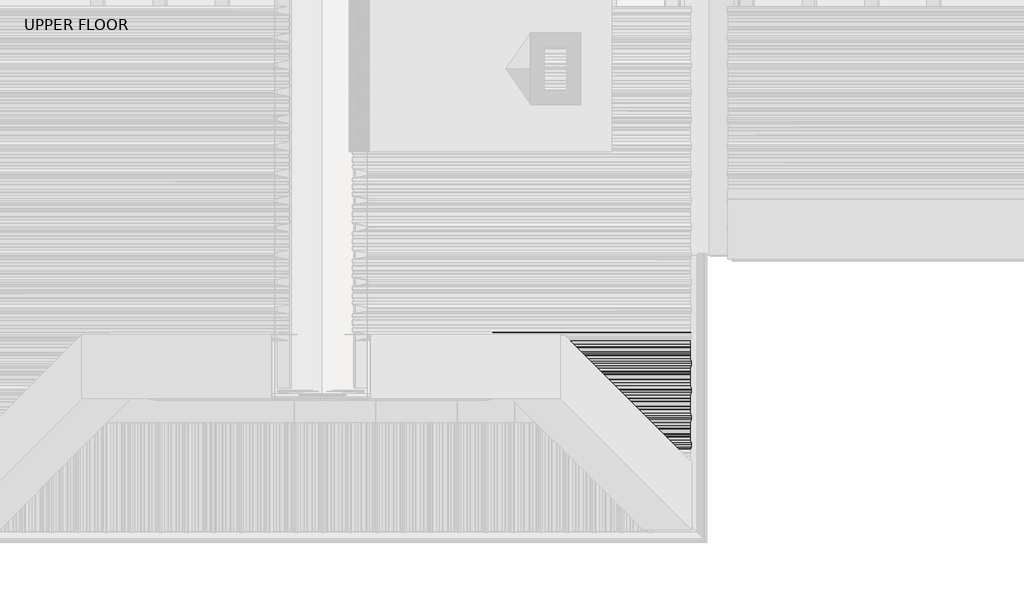
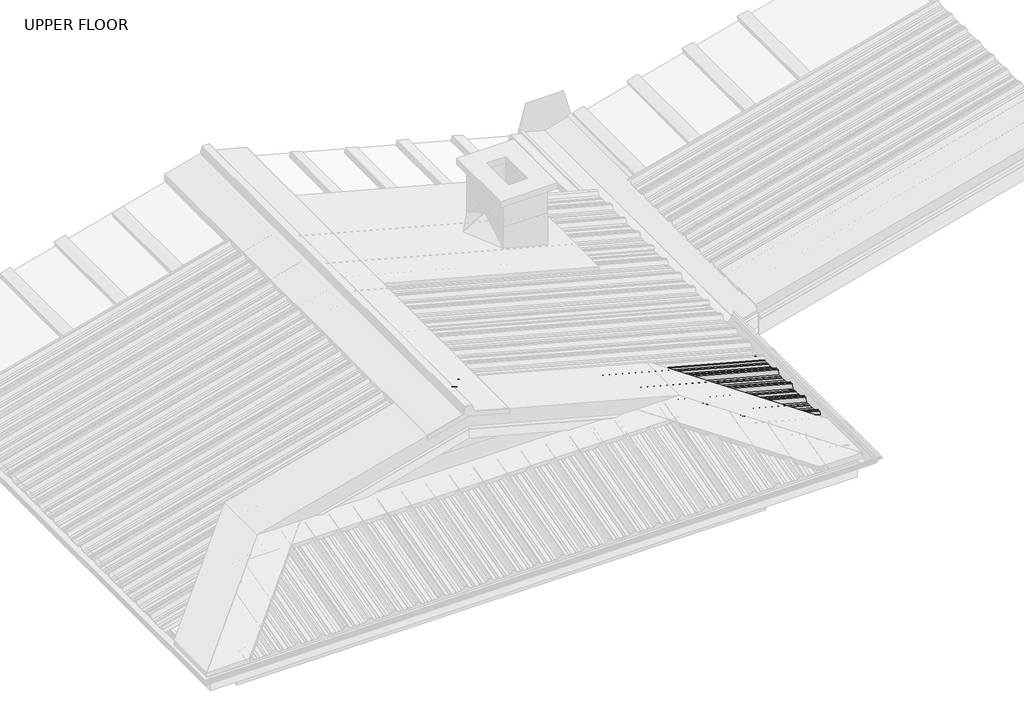
# One storey, part 7 of 8: 1 beam.
"""IFC4 building model written with IfcOpenShell, lengths in millimetres."""

from ifc_helpers import new_model, si_unit, frame, origin, place, context, project, spatial, circle_curve, ellipse_curve, element, save
from ifc_brep_helpers import plane_surface, cylinder_surface, advanced_brep

model = new_model("IFC4")

# Units and contexts
model_context = context("Model", 3, world=origin())
ifc_project = project(units=[si_unit("LENGTHUNIT", "METRE", prefix="MILLI")], contexts=[model_context])

# Site, building, storey
site = spatial("IfcSite", under=ifc_project)
building = spatial("IfcBuilding", under=site)
storey = spatial("IfcBuildingStorey", under=building, Name="UPPER FLOOR", Elevation=2700.0)

# Beam
placement = place(None, origin())
element("IfcBeam", 1, ObjectType="MC760", at=placement, inside=storey, context=model_context, shape_type="AdvancedBrep", body=[
    advanced_brep(
    [(2081.1680546, -3415.5736583, 3937.9588483), (2081.1680546, -3384.4584081, 3937.9588483), (2081.696104, -3380.0780903, 3939.9295556), (2081.696104, -3363.1381211, 3939.9295556), (2081.1680546, -3359.9230769, 3937.9588483), (2081.1680546, -3335.5402062, 3937.9588483), (2087.8973497, -3316.4353826, 3963.0729198), (2087.8973497, -3293.5966837, 3963.0729198), (2082.0808349, -3277.0832916, 3941.365391), (2081.9275797, -3277.8891323, 3940.7934349), (2087.6385307, -3294.1028229, 3962.106994), (2087.6385307, -3315.9292434, 3962.106994), (2080.9092355, -3335.034067, 3936.9929225), (2080.9092355, -3360.2135914, 3936.9929225), (2081.4372849, -3363.4286356, 3938.9636298), (2081.4372849, -3379.8566268, 3938.9636298), (2080.9092355, -3384.2369445, 3936.9929225), (2080.9092355, -3415.7951218, 3936.9929225), (2081.4372849, -3420.1754395, 3938.9636298), (2081.4372849, -3427.9821216, 3938.9636298), (2081.696104, -3427.7233025, 3939.9295556), (2081.696104, -3419.953976, 3939.9295556), (2089.4654305, -3419.953976, 3937.8477708), (2093.8457482, -3415.5736583, 3934.5618705), (2124.9609985, -3384.4584081, 3926.2245644), (2129.3413162, -3380.0780903, 3927.1630595), (2146.2812855, -3363.1381211, 3922.6240084), (2149.4963296, -3359.9230769, 3919.6503422), (2173.8792003, -3335.5402062, 3913.1169717), (2192.9840239, -3316.4353826, 3934.9150303), (2215.8227228, -3293.5966837, 3928.7954194), (2232.3361149, -3277.0832916, 3901.10461), (2231.5302742, -3277.8891323, 3900.7075138), (2215.3165836, -3294.1028229, 3927.8957628), (2193.4901631, -3315.9292434, 3933.7441346), (2174.3853395, -3335.034067, 3911.9460759), (2149.2058151, -3360.2135914, 3918.6929091), (2145.990771, -3363.4286356, 3921.6665753), (2129.5627797, -3379.8566268, 3926.0684423), (2125.182462, -3384.2369445, 3925.1299472), (2093.6242847, -3415.7951218, 3933.5859353), (2089.243967, -3420.1754395, 3936.8718356)],
    [
        (0, 1),
        (1, 2),
        (2, 3),
        (3, 4),
        (4, 5),
        (5, 6),
        (6, 7),
        (7, 8),
        (8, 9, circle_curve(frame((2082.0042073, -3277.486212, 3941.079413), z_axis=(-0.9659258262890683, 0.0, 0.25881904510252074), x_axis=(0.0, -1.0, 0.0)), 0.5)),
        (9, 10),
        (10, 11),
        (11, 12),
        (12, 13),
        (13, 14),
        (14, 15),
        (15, 16),
        (16, 17),
        (17, 18),
        (18, 19),
        (19, 20),
        (20, 21),
        (21, 0),
        (20, 22),
        (22, 21),
        (22, 23),
        (23, 0),
        (23, 24),
        (24, 1),
        (24, 25),
        (25, 2),
        (25, 26),
        (26, 3),
        (26, 27),
        (27, 4),
        (27, 28),
        (28, 5),
        (28, 29),
        (29, 6),
        (29, 30),
        (30, 7),
        (30, 31),
        (31, 8),
        (31, 32, ellipse_curve(frame((2231.9331946, -3277.486212, 3900.9060619), z_axis=(-0.7071067811865476, 0.7071067811865475, 0.0), x_axis=(-0.6612248329466447, -0.6612248329466448, 0.3543493200069157)), 0.7320508, 0.5)),
        (32, 9),
        (32, 33),
        (33, 10),
        (33, 34),
        (34, 11),
        (34, 35),
        (35, 12),
        (35, 36),
        (36, 13),
        (36, 37),
        (37, 14),
        (37, 38),
        (38, 15),
        (38, 39),
        (39, 16),
        (39, 40),
        (40, 17),
        (40, 41),
        (41, 18),
        (41, 19),
    ],
    [
        plane_surface(frame((2080.9092355, -3462.5161191, 3936.9929225), z_axis=(-0.9659258262890684, 0.0, 0.25881904510252085), x_axis=(0.20856690950736453, -0.5921324467912088, 0.7783823030591094))),
        plane_surface(frame((2081.696104, -3436.8939453, 3939.9295556), z_axis=(0.25881904510252074, 0.0, 0.9659258262890683), x_axis=(0.9659258262890683, 0.0, -0.25881904510252074))),
        plane_surface(frame((2081.696104, -3419.953976, 3939.9295556), z_axis=(0.23461789175161624, 0.42221886042244977, 0.8756058923817237), x_axis=(0.9659258262890683, 0.0, -0.25881904510252074))),
        plane_surface(frame((2081.1680546, -3415.5736583, 3937.9588483), z_axis=(0.25881904510252074, 0.0, 0.9659258262890683), x_axis=(0.9659258262890683, 0.0, -0.25881904510252074))),
        plane_surface(frame((2081.1680546, -3384.4584081, 3937.9588483), z_axis=(0.23461789175161418, -0.42221886042245366, 0.8756058923817225), x_axis=(0.9659258262890683, 0.0, -0.25881904510252074))),
        plane_surface(frame((2081.696104, -3380.0780903, 3939.9295556), z_axis=(0.25881904510252074, 0.0, 0.9659258262890683), x_axis=(0.9659258262890683, 0.0, -0.25881904510252074))),
        plane_surface(frame((2081.696104, -3363.1381211, 3939.9295556), z_axis=(0.21853130769187645, 0.5358075541289663, 0.8155699433505462), x_axis=(0.9659258262890683, 0.0, -0.25881904510252074))),
        plane_surface(frame((2081.1680546, -3359.9230769, 3937.9588483), z_axis=(0.25881904510252074, 0.0, 0.9659258262890683), x_axis=(0.9659258262890683, 0.0, -0.25881904510252074))),
        plane_surface(frame((2081.1680546, -3335.5402062, 3937.9588483), z_axis=(0.1532551544527187, -0.8058406576098369, 0.5719560229393682), x_axis=(0.9659258262890683, 0.0, -0.25881904510252074))),
        plane_surface(frame((2087.8973497, -3316.4353826, 3963.0729198), z_axis=(0.25881904510252074, 0.0, 0.9659258262890683), x_axis=(0.9659258262890683, 0.0, -0.25881904510252074))),
        plane_surface(frame((2087.8973497, -3293.5966837, 3963.0729198), z_axis=(0.15325515445272095, 0.8058406576098393, 0.5719560229393641), x_axis=(0.9659258262890683, 0.0, -0.25881904510252074))),
        cylinder_surface(frame((4583.9477914, -3277.486212, 3270.6856501), z_axis=(-0.9659258262890683, 0.0, 0.25881904510252074), x_axis=(0.0, -1.0, 0.0)), 0.5),
        plane_surface(frame((2081.9275797, -3277.8891323, 3940.7934349), z_axis=(-0.1532551544527278, -0.8058406576098199, -0.5719560229393896), x_axis=(0.9659258262890683, 0.0, -0.25881904510252074))),
        plane_surface(frame((2087.6385307, -3294.1028229, 3962.106994), z_axis=(-0.25881904510252074, 0.0, -0.9659258262890683), x_axis=(0.9659258262890683, 0.0, -0.25881904510252074))),
        plane_surface(frame((2087.6385307, -3315.9292434, 3962.106994), z_axis=(-0.15325515445271837, 0.805840657609838, -0.5719560229393669), x_axis=(0.9659258262890683, 0.0, -0.25881904510252074))),
        plane_surface(frame((2080.9092355, -3335.034067, 3936.9929225), z_axis=(-0.25881904510252074, 0.0, -0.9659258262890683), x_axis=(0.9659258262890683, 0.0, -0.25881904510252074))),
        plane_surface(frame((2080.9092355, -3360.2135914, 3936.9929225), z_axis=(-0.2185313076918775, -0.5358075541289602, -0.8155699433505502), x_axis=(0.9659258262890683, 0.0, -0.25881904510252074))),
        plane_surface(frame((2081.4372849, -3363.4286356, 3938.9636298), z_axis=(-0.25881904510252074, 0.0, -0.9659258262890683), x_axis=(0.9659258262890683, 0.0, -0.25881904510252074))),
        plane_surface(frame((2081.4372849, -3379.8566268, 3938.9636298), z_axis=(-0.23461789175161488, 0.42221886042244783, -0.875605892381725), x_axis=(0.9659258262890683, 0.0, -0.25881904510252074))),
        plane_surface(frame((2080.9092355, -3384.2369445, 3936.9929225), z_axis=(-0.25881904510252074, 0.0, -0.9659258262890683), x_axis=(0.9659258262890683, 0.0, -0.25881904510252074))),
        plane_surface(frame((2080.9092355, -3415.7951218, 3936.9929225), z_axis=(-0.23461789175161565, -0.4222188604224548, -0.8756058923817215), x_axis=(0.9659258262890683, 0.0, -0.25881904510252074))),
        plane_surface(frame((2081.4372849, -3420.1754395, 3938.9636298), z_axis=(-0.25881904510252074, 0.0, -0.9659258262890683), x_axis=(0.9659258262890683, 0.0, -0.25881904510252074))),
        plane_surface(frame((1656.3612459, -3853.0581606, 4276.036793), z_axis=(0.7071067811865476, -0.7071067811865475, 0.0), x_axis=(0.0, 0.0, -1.0))),
    ],
    [
        (0, [[1, 2, 3, 4, 5, 6, 7, 8, 9, 10, 11, 12, 13, 14, 15, 16, 17, 18, 19, 20, 21, 22]]),
        (1, [[-21, 23, 24]]),
        (2, [[-22, -24, 25, 26]]),
        (3, [[-1, -26, 27, 28]]),
        (4, [[-2, -28, 29, 30]]),
        (5, [[-3, -30, 31, 32]]),
        (6, [[-4, -32, 33, 34]]),
        (7, [[-5, -34, 35, 36]]),
        (8, [[-6, -36, 37, 38]]),
        (9, [[-7, -38, 39, 40]]),
        (10, [[-8, -40, 41, 42]]),
        (11, [[-9, -42, 43, 44]]),
        (12, [[-10, -44, 45, 46]]),
        (13, [[-11, -46, 47, 48]]),
        (14, [[-12, -48, 49, 50]]),
        (15, [[-13, -50, 51, 52]]),
        (16, [[-14, -52, 53, 54]]),
        (17, [[-15, -54, 55, 56]]),
        (18, [[-16, -56, 57, 58]]),
        (19, [[-17, -58, 59, 60]]),
        (20, [[-18, -60, 61, 62]]),
        (21, [[-19, -62, 63]]),
        (22, [[-20, -63, -61, -59, -57, -55, -53, -51, -49, -47, -45, -43, -41, -39, -37, -35, -33, -31, -29, -27, -25, -23]]),
    ],
),
    advanced_brep(
    [(4582.8528196, -3462.5161191, 3266.5991596), (4582.8528196, -3439.818475, 3266.5991596), (4583.380869, -3436.6034308, 3268.5698669), (4583.380869, -3420.1754395, 3268.5698669), (4582.8528196, -3415.7951218, 3266.5991596), (4582.8528196, -3384.2369445, 3266.5991596), (4583.380869, -3379.8566268, 3268.5698669), (4583.380869, -3363.4286356, 3268.5698669), (4582.8528196, -3360.2135914, 3266.5991596), (4582.8528196, -3335.034067, 3266.5991596), (4589.5821147, -3315.9292434, 3291.7132311), (4589.5821147, -3294.1028229, 3291.7132311), (4583.8711638, -3277.8891323, 3270.3996721), (4584.024419, -3277.0832916, 3270.9716281), (4589.8409338, -3293.5966837, 3292.679157), (4589.8409338, -3316.4353826, 3292.679157), (4583.1116386, -3335.5402062, 3267.5650855), (4583.1116386, -3359.9230769, 3267.5650855), (4583.639688, -3363.1381211, 3269.5357928), (4583.639688, -3380.0780903, 3269.5357928), (4583.1116386, -3384.4584081, 3267.5650855), (4583.1116386, -3415.5736583, 3267.5650855), (4583.639688, -3419.953976, 3269.5357928), (4583.639688, -3436.8939453, 3269.5357928), (4583.1116386, -3440.1089895, 3267.5650855), (4583.1116386, -3461.9416077, 3267.5650855), (4590.3585719, -3482.5160332, 3294.6110086), (4590.3585719, -3495.0160332, 3294.6110086), (4590.3585719, -3507.5160332, 3294.6110086), (4583.1116386, -3528.0904586, 3267.5650855), (4583.1116386, -3549.9230769, 3267.5650855), (4583.639688, -3553.1381211, 3269.5357928), (4583.639688, -3570.0780903, 3269.5357928), (4583.1116386, -3574.4584081, 3267.5650855), (4583.1116386, -3605.5736583, 3267.5650855), (4583.639688, -3609.953976, 3269.5357928), (4583.639688, -3626.8939453, 3269.5357928), (4583.1116386, -3630.1089895, 3267.5650855), (4583.1116386, -3651.9416077, 3267.5650855), (4590.3585719, -3672.5160332, 3294.6110086), (4590.3585719, -3685.0160332, 3294.6110086), (4590.3585719, -3697.5160332, 3294.6110086), (4583.1116386, -3718.0904586, 3267.5650855), (4583.1116386, -3739.9230769, 3267.5650855), (4583.639688, -3743.1381211, 3269.5357928), (4583.639688, -3760.0780903, 3269.5357928), (4583.1116386, -3764.4584081, 3267.5650855), (4583.1116386, -3795.5736583, 3267.5650855), (4583.639688, -3799.953976, 3269.5357928), (4583.639688, -3816.8939453, 3269.5357928), (4583.1116386, -3820.1089895, 3267.5650855), (4583.1116386, -3841.9416077, 3267.5650855), (4590.3585719, -3862.5160332, 3294.6110086), (4590.3585719, -3875.0160332, 3294.6110086), (4590.3585719, -3887.5160332, 3294.6110086), (4583.1116386, -3908.0904586, 3267.5650855), (4583.1116386, -3929.9230769, 3267.5650855), (4583.639688, -3933.1381211, 3269.5357928), (4583.639688, -3950.0780903, 3269.5357928), (4583.1116386, -3954.4584081, 3267.5650855), (4583.1116386, -3985.5736583, 3267.5650855), (4583.639688, -3989.953976, 3269.5357928), (4583.639688, -4006.8939453, 3269.5357928), (4583.1116386, -4010.1089895, 3267.5650855), (4583.1116386, -4031.9416077, 3267.5650855), (4590.3585719, -4052.5160332, 3294.6110086), (4590.3585719, -4065.0160332, 3294.6110086), (4590.3585719, -4077.5160332, 3294.6110086), (4584.783706, -4093.3433712, 3273.8053259), (4584.6220069, -4092.4931311, 3273.2018568), (4590.0997528, -4076.9415218, 3293.6450828), (4590.0997528, -4065.0160332, 3293.6450828), (4590.0997528, -4053.0905445, 3293.6450828), (4582.8528196, -4032.5161191, 3266.5991596), (4582.8528196, -4009.818475, 3266.5991596), (4583.380869, -4006.6034308, 3268.5698669), (4583.380869, -3990.1754395, 3268.5698669), (4582.8528196, -3985.7951218, 3266.5991596), (4582.8528196, -3954.2369445, 3266.5991596), (4583.380869, -3949.8566268, 3268.5698669), (4583.380869, -3933.4286356, 3268.5698669), (4582.8528196, -3930.2135914, 3266.5991596), (4582.8528196, -3907.5159472, 3266.5991596), (4590.0997528, -3886.9415218, 3293.6450828), (4590.0997528, -3875.0160332, 3293.6450828), (4590.0997528, -3863.0905445, 3293.6450828), (4582.8528196, -3842.5161191, 3266.5991596), (4582.8528196, -3819.818475, 3266.5991596), (4583.380869, -3816.6034308, 3268.5698669), (4583.380869, -3800.1754395, 3268.5698669), (4582.8528196, -3795.7951218, 3266.5991596), (4582.8528196, -3764.2369445, 3266.5991596), (4583.380869, -3759.8566268, 3268.5698669), (4583.380869, -3743.4286356, 3268.5698669), (4582.8528196, -3740.2135914, 3266.5991596), (4582.8528196, -3717.5159472, 3266.5991596), (4590.0997528, -3696.9415218, 3293.6450828), (4590.0997528, -3685.0160332, 3293.6450828), (4590.0997528, -3673.0905445, 3293.6450828), (4582.8528196, -3652.5161191, 3266.5991596), (4582.8528196, -3629.818475, 3266.5991596), (4583.380869, -3626.6034308, 3268.5698669), (4583.380869, -3610.1754395, 3268.5698669), (4582.8528196, -3605.7951218, 3266.5991596), (4582.8528196, -3574.2369445, 3266.5991596), (4583.380869, -3569.8566268, 3268.5698669), (4583.380869, -3553.4286356, 3268.5698669), (4582.8528196, -3550.2135914, 3266.5991596), (4582.8528196, -3527.5159472, 3266.5991596), (4590.0997528, -3506.9415218, 3293.6450828), (4590.0997528, -3495.0160332, 3293.6450828), (4590.0997528, -3483.0905445, 3293.6450828), (3554.4419037, -3629.818475, 3542.161034), (3551.2268596, -3626.6034308, 3545.1347002), (3577.1395479, -3652.5161191, 3536.0792186), (3597.7139733, -3673.0905445, 3559.554051), (3609.639462, -3685.0160332, 3556.3586259), (3621.5649506, -3696.9415218, 3553.1632009), (3642.139376, -3717.5159472, 3518.6625672), (3664.8370202, -3740.2135914, 3512.5807517), (3668.0520643, -3743.4286356, 3513.8314809), (3684.4800556, -3759.8566268, 3509.4296139), (3688.8603733, -3764.2369445, 3506.1437137), (3720.4185506, -3795.7951218, 3497.6877255), (3724.7988683, -3800.1754395, 3498.6262207), (3741.2268596, -3816.6034308, 3494.2243537), (3744.4419037, -3819.818475, 3491.2506875), (3767.1395479, -3842.5161191, 3485.168872), (3787.7139733, -3863.0905445, 3508.6437044), (3799.639462, -3875.0160332, 3505.4482794), (3811.5649506, -3886.9415218, 3502.2528543), (3832.139376, -3907.5159472, 3467.7522206), (3854.8370202, -3930.2135914, 3461.6704052), (3858.0520643, -3933.4286356, 3462.9211344), (3874.4800556, -3949.8566268, 3458.5192674), (3878.8603733, -3954.2369445, 3455.2333671), (3910.4185506, -3985.7951218, 3446.777379), (3914.7988683, -3990.1754395, 3447.7158741), (3931.2268596, -4006.6034308, 3443.3140071), (3934.4419037, -4009.818475, 3440.3403409), (3957.1395479, -4032.5161191, 3434.2585255), (3977.7139733, -4053.0905445, 3457.7333579), (3989.639462, -4065.0160332, 3454.5379328), (4001.5649506, -4076.9415218, 3451.3425078), (4017.1165598, -4092.4931311, 3425.264483), (4017.9668, -4093.3433712, 3425.6834581), (4002.139462, -4077.5160332, 3452.2238441), (3989.639462, -4065.0160332, 3455.573209), (3977.139462, -4052.5160332, 3458.9225739), (3956.5650365, -4031.9416077, 3435.4477415), (3934.7324182, -4010.1089895, 3441.297774), (3931.5173741, -4006.8939453, 3444.2714402), (3914.5774048, -3989.953976, 3448.8104912), (3910.1970871, -3985.5736583, 3447.8719961), (3879.0818368, -3954.4584081, 3456.2093023), (3874.7015191, -3950.0780903, 3459.4952026), (3857.7615498, -3933.1381211, 3464.0342537), (3854.5465057, -3929.9230769, 3462.7835245), (3832.7138874, -3908.0904586, 3468.6335569), (3812.139462, -3887.5160332, 3503.1341906), (3799.639462, -3875.0160332, 3506.4835556), (3787.139462, -3862.5160332, 3509.8329205), (3766.5650365, -3841.9416077, 3486.3580881), (3744.7324182, -3820.1089895, 3492.2081205), (3741.5173741, -3816.8939453, 3495.1817867), (3724.5774048, -3799.953976, 3499.7208378), (3720.1970871, -3795.5736583, 3498.7823427), (3689.0818368, -3764.4584081, 3507.1196489), (3684.7015191, -3760.0780903, 3510.4055492), (3667.7615498, -3743.1381211, 3514.9446003), (3664.5465057, -3739.9230769, 3513.693871), (3642.7138874, -3718.0904586, 3519.5439035), (3622.139462, -3697.5160332, 3554.0445372), (3609.639462, -3685.0160332, 3557.3939021), (3597.139462, -3672.5160332, 3560.743267), (3576.5650365, -3651.9416077, 3537.2684346), (3554.7324182, -3630.1089895, 3543.1184671), (3551.5173741, -3626.8939453, 3546.0921333), (3534.5774048, -3609.953976, 3550.6311844), (3530.1970871, -3605.5736583, 3549.6926893), (3499.0818368, -3574.4584081, 3558.0299954), (3494.7015191, -3570.0780903, 3561.3158957), (3477.7615498, -3553.1381211, 3565.8549468), (3474.5465057, -3549.9230769, 3564.6042176), (3452.7138874, -3528.0904586, 3570.45425), (3432.139462, -3507.5160332, 3604.9548838), (3419.639462, -3495.0160332, 3608.3042487), (3407.139462, -3482.5160332, 3611.6536136), (3386.5650365, -3461.9416077, 3588.1787812), (3364.7324182, -3440.1089895, 3594.0288136), (3361.5173741, -3436.8939453, 3597.0024798), (3344.5774048, -3419.953976, 3601.5415309), (3340.1970871, -3415.5736583, 3600.6030358), (3309.0818368, -3384.4584081, 3608.940342), (3304.7015191, -3380.0780903, 3612.2262423), (3287.7615498, -3363.1381211, 3616.7652934), (3284.5465057, -3359.9230769, 3615.5145642), (3260.163635, -3335.5402062, 3622.0479347), (3241.0588114, -3316.4353826, 3654.0842374), (3218.2201125, -3293.5966837, 3660.2038483), (3201.7067204, -3277.0832916, 3641.3625391), (3202.5125611, -3277.8891323, 3640.5335941), (3218.7262517, -3294.1028229, 3659.0329526), (3240.5526722, -3315.9292434, 3653.1845808), (3259.6574958, -3335.034067, 3621.1482781), (3284.8370202, -3360.2135914, 3614.4014449), (3288.0520643, -3363.4286356, 3615.6521741), (3304.4800556, -3379.8566268, 3611.2503071), (3308.8603733, -3384.2369445, 3607.9644068), (3340.4185506, -3415.7951218, 3599.5084187), (3344.7988683, -3420.1754395, 3600.4469138), (3361.2268596, -3436.6034308, 3596.0450468), (3364.4419037, -3439.818475, 3593.0713806), (3387.1395479, -3462.5161191, 3586.9895652), (3407.7139733, -3483.0905445, 3610.4643975), (3419.639462, -3495.0160332, 3607.2689725), (3431.5649506, -3506.9415218, 3604.0735474), (3452.139376, -3527.5159472, 3569.5729137), (3474.8370202, -3550.2135914, 3563.4910983), (3478.0520643, -3553.4286356, 3564.7418275), (3494.4800556, -3569.8566268, 3560.3399605), (3498.8603733, -3574.2369445, 3557.0540602), (3530.4185506, -3605.7951218, 3548.5980721), (3534.7988683, -3610.1754395, 3549.5365672)],
    [
        (0, 1),
        (1, 2),
        (2, 3),
        (3, 4),
        (4, 5),
        (5, 6),
        (6, 7),
        (7, 8),
        (8, 9),
        (9, 10),
        (10, 11),
        (11, 12),
        (12, 13, circle_curve(frame((4583.9477914, -3277.486212, 3270.6856501), z_axis=(0.9659258262890683, 0.0, -0.25881904510252074), x_axis=(0.0, -1.0, 0.0)), 0.5)),
        (13, 14),
        (14, 15),
        (15, 16),
        (16, 17),
        (17, 18),
        (18, 19),
        (19, 20),
        (20, 21),
        (21, 22),
        (22, 23),
        (23, 24),
        (24, 25),
        (25, 26),
        (26, 27),
        (27, 28),
        (28, 29),
        (29, 30),
        (30, 31),
        (31, 32),
        (32, 33),
        (33, 34),
        (34, 35),
        (35, 36),
        (36, 37),
        (37, 38),
        (38, 39),
        (39, 40),
        (40, 41),
        (41, 42),
        (42, 43),
        (43, 44),
        (44, 45),
        (45, 46),
        (46, 47),
        (47, 48),
        (48, 49),
        (49, 50),
        (50, 51),
        (51, 52),
        (52, 53),
        (53, 54),
        (54, 55),
        (55, 56),
        (56, 57),
        (57, 58),
        (58, 59),
        (59, 60),
        (60, 61),
        (61, 62),
        (62, 63),
        (63, 64),
        (64, 65),
        (65, 66),
        (66, 67),
        (67, 68),
        (68, 69, circle_curve(frame((4584.7028565, -4092.9182511, 3273.5035914), z_axis=(0.9659258262890683, 0.0, -0.25881904510252074), x_axis=(0.0, -1.0, 0.0)), 0.5275485)),
        (69, 70),
        (70, 71),
        (71, 72),
        (72, 73),
        (73, 74),
        (74, 75),
        (75, 76),
        (76, 77),
        (77, 78),
        (78, 79),
        (79, 80),
        (80, 81),
        (81, 82),
        (82, 83),
        (83, 84),
        (84, 85),
        (85, 86),
        (86, 87),
        (87, 88),
        (88, 89),
        (89, 90),
        (90, 91),
        (91, 92),
        (92, 93),
        (93, 94),
        (94, 95),
        (95, 96),
        (96, 97),
        (97, 98),
        (98, 99),
        (99, 100),
        (100, 101),
        (101, 102),
        (102, 103),
        (103, 104),
        (104, 105),
        (105, 106),
        (106, 107),
        (107, 108),
        (108, 109),
        (109, 110),
        (110, 111),
        (111, 0),
        (100, 112),
        (112, 113),
        (113, 101),
        (99, 114),
        (114, 112),
        (98, 115),
        (115, 114),
        (97, 116),
        (116, 115),
        (96, 117),
        (117, 116),
        (95, 118),
        (118, 117),
        (94, 119),
        (119, 118),
        (93, 120),
        (120, 119),
        (92, 121),
        (121, 120),
        (91, 122),
        (122, 121),
        (90, 123),
        (123, 122),
        (89, 124),
        (124, 123),
        (88, 125),
        (125, 124),
        (87, 126),
        (126, 125),
        (86, 127),
        (127, 126),
        (85, 128),
        (128, 127),
        (84, 129),
        (129, 128),
        (83, 130),
        (130, 129),
        (82, 131),
        (131, 130),
        (81, 132),
        (132, 131),
        (80, 133),
        (133, 132),
        (79, 134),
        (134, 133),
        (78, 135),
        (135, 134),
        (77, 136),
        (136, 135),
        (76, 137),
        (137, 136),
        (75, 138),
        (138, 137),
        (74, 139),
        (139, 138),
        (73, 140),
        (140, 139),
        (72, 141),
        (141, 140),
        (71, 142),
        (142, 141),
        (70, 143),
        (143, 142),
        (69, 144),
        (144, 143),
        (68, 145),
        (145, 144, ellipse_curve(frame((4017.5416799, -4092.9182511, 3425.4739706), z_axis=(0.7071067811865475, 0.7071067811865476, 0.0), x_axis=(-0.6612248329466451, 0.661224832946645, 0.3543493200069143)), 0.7723846, 0.5275485)),
        (67, 146),
        (146, 145),
        (66, 147),
        (147, 146),
        (65, 148),
        (148, 147),
        (64, 149),
        (149, 148),
        (63, 150),
        (150, 149),
        (62, 151),
        (151, 150),
        (61, 152),
        (152, 151),
        (60, 153),
        (153, 152),
        (59, 154),
        (154, 153),
        (58, 155),
        (155, 154),
        (57, 156),
        (156, 155),
        (56, 157),
        (157, 156),
        (55, 158),
        (158, 157),
        (54, 159),
        (159, 158),
        (53, 160),
        (160, 159),
        (52, 161),
        (161, 160),
        (51, 162),
        (162, 161),
        (50, 163),
        (163, 162),
        (49, 164),
        (164, 163),
        (48, 165),
        (165, 164),
        (47, 166),
        (166, 165),
        (46, 167),
        (167, 166),
        (45, 168),
        (168, 167),
        (44, 169),
        (169, 168),
        (43, 170),
        (170, 169),
        (42, 171),
        (171, 170),
        (41, 172),
        (172, 171),
        (40, 173),
        (173, 172),
        (39, 174),
        (174, 173),
        (38, 175),
        (175, 174),
        (37, 176),
        (176, 175),
        (36, 177),
        (177, 176),
        (35, 178),
        (178, 177),
        (34, 179),
        (179, 178),
        (33, 180),
        (180, 179),
        (32, 181),
        (181, 180),
        (31, 182),
        (182, 181),
        (30, 183),
        (183, 182),
        (29, 184),
        (184, 183),
        (28, 185),
        (185, 184),
        (27, 186),
        (186, 185),
        (26, 187),
        (187, 186),
        (25, 188),
        (188, 187),
        (24, 189),
        (189, 188),
        (23, 190),
        (190, 189),
        (22, 191),
        (191, 190),
        (21, 192),
        (192, 191),
        (20, 193),
        (193, 192),
        (19, 194),
        (194, 193),
        (18, 195),
        (195, 194),
        (17, 196),
        (196, 195),
        (16, 197),
        (197, 196),
        (15, 198),
        (198, 197),
        (14, 199),
        (199, 198),
        (13, 200),
        (200, 199),
        (12, 201),
        (201, 200, ellipse_curve(frame((3202.1096407, -3277.486212, 3640.9480666), z_axis=(0.7071067811865475, 0.7071067811865476, 0.0), x_axis=(-0.6612248329466451, 0.661224832946645, 0.3543493200069143)), 0.7320508, 0.5)),
        (11, 202),
        (202, 201),
        (10, 203),
        (203, 202),
        (9, 204),
        (204, 203),
        (8, 205),
        (205, 204),
        (7, 206),
        (206, 205),
        (6, 207),
        (207, 206),
        (5, 208),
        (208, 207),
        (4, 209),
        (209, 208),
        (3, 210),
        (210, 209),
        (2, 211),
        (211, 210),
        (1, 212),
        (212, 211),
        (0, 213),
        (213, 212),
        (111, 214),
        (214, 213),
        (110, 215),
        (215, 214),
        (109, 216),
        (216, 215),
        (108, 217),
        (217, 216),
        (107, 218),
        (218, 217),
        (106, 219),
        (219, 218),
        (105, 220),
        (220, 219),
        (104, 221),
        (221, 220),
        (103, 222),
        (222, 221),
        (102, 223),
        (223, 222),
        (113, 223),
    ],
    [
        plane_surface(frame((4582.8528196, -3462.5161191, 3266.5991596), z_axis=(0.9659258262890684, 0.0, -0.25881904510252085), x_axis=(-0.20856690950736453, 0.5921324467912088, -0.7783823030591094))),
        plane_surface(frame((2081.4372849, -3626.6034308, 3938.9636298), z_axis=(-0.21853130769187562, 0.5358075541289586, -0.8155699433505516), x_axis=(0.9659258262890683, 0.0, -0.25881904510252074))),
        plane_surface(frame((2080.9092355, -3629.818475, 3936.9929225), z_axis=(-0.25881904510252074, 0.0, -0.9659258262890683), x_axis=(0.9659258262890683, 0.0, -0.25881904510252074))),
        plane_surface(frame((2080.9092355, -3652.5161191, 3936.9929225), z_axis=(-0.1532551544527214, -0.8058406576098383, -0.5719560229393656), x_axis=(0.9659258262890683, 0.0, -0.25881904510252074))),
        plane_surface(frame((2088.1561688, -3673.0905445, 3964.0388456), z_axis=(-0.25881904510252074, 0.0, -0.9659258262890683), x_axis=(0.9659258262890683, 0.0, -0.25881904510252074))),
        plane_surface(frame((2088.1561688, -3685.0160332, 3964.0388456), z_axis=(-0.25881904510252074, 0.0, -0.9659258262890683), x_axis=(0.9659258262890683, 0.0, -0.25881904510252074))),
        plane_surface(frame((2088.1561688, -3696.9415218, 3964.0388456), z_axis=(-0.15325515445271648, 0.8058406576098434, -0.5719560229393599), x_axis=(0.9659258262890683, 0.0, -0.25881904510252074))),
        plane_surface(frame((2080.9092355, -3717.5159472, 3936.9929225), z_axis=(-0.25881904510252074, 0.0, -0.9659258262890683), x_axis=(0.9659258262890683, 0.0, -0.25881904510252074))),
        plane_surface(frame((2080.9092355, -3740.2135914, 3936.9929225), z_axis=(-0.2185313076918775, -0.5358075541289602, -0.8155699433505503), x_axis=(0.9659258262890683, 0.0, -0.25881904510252074))),
        plane_surface(frame((2081.4372849, -3743.4286356, 3938.9636298), z_axis=(-0.25881904510252074, 0.0, -0.9659258262890683), x_axis=(0.9659258262890683, 0.0, -0.25881904510252074))),
        plane_surface(frame((2081.4372849, -3759.8566268, 3938.9636298), z_axis=(-0.23461789175161485, 0.42221886042244783, -0.875605892381725), x_axis=(0.9659258262890683, 0.0, -0.25881904510252074))),
        plane_surface(frame((2080.9092355, -3764.2369445, 3936.9929225), z_axis=(-0.25881904510252074, 0.0, -0.9659258262890683), x_axis=(0.9659258262890683, 0.0, -0.25881904510252074))),
        plane_surface(frame((2080.9092355, -3795.7951218, 3936.9929225), z_axis=(-0.23461789175161635, -0.4222188604224494, -0.875605892381724), x_axis=(0.9659258262890683, 0.0, -0.25881904510252074))),
        plane_surface(frame((2081.4372849, -3800.1754395, 3938.9636298), z_axis=(-0.25881904510252074, 0.0, -0.9659258262890683), x_axis=(0.9659258262890683, 0.0, -0.25881904510252074))),
        plane_surface(frame((2081.4372849, -3816.6034308, 3938.9636298), z_axis=(-0.21853130769187562, 0.5358075541289586, -0.8155699433505516), x_axis=(0.9659258262890683, 0.0, -0.25881904510252074))),
        plane_surface(frame((2080.9092355, -3819.818475, 3936.9929225), z_axis=(-0.25881904510252074, 0.0, -0.9659258262890683), x_axis=(0.9659258262890683, 0.0, -0.25881904510252074))),
        plane_surface(frame((2080.9092355, -3842.5161191, 3936.9929225), z_axis=(-0.15325515445271892, -0.8058406576098451, -0.5719560229393563), x_axis=(0.9659258262890683, 0.0, -0.25881904510252074))),
        plane_surface(frame((2088.1561688, -3863.0905445, 3964.0388456), z_axis=(-0.25881904510252074, 0.0, -0.9659258262890683), x_axis=(0.9659258262890683, 0.0, -0.25881904510252074))),
        plane_surface(frame((2088.1561688, -3875.0160332, 3964.0388456), z_axis=(-0.25881904510252074, 0.0, -0.9659258262890683), x_axis=(0.9659258262890683, 0.0, -0.25881904510252074))),
        plane_surface(frame((2088.1561688, -3886.9415218, 3964.0388456), z_axis=(-0.15325515445271712, 0.8058406576098415, -0.5719560229393623), x_axis=(0.9659258262890683, 0.0, -0.25881904510252074))),
        plane_surface(frame((2080.9092355, -3907.5159472, 3936.9929225), z_axis=(-0.25881904510252074, 0.0, -0.9659258262890683), x_axis=(0.9659258262890683, 0.0, -0.25881904510252074))),
        plane_surface(frame((2080.9092355, -3930.2135914, 3936.9929225), z_axis=(-0.2185313076918598, -0.5358075541290679, -0.8155699433504843), x_axis=(0.9659258262890683, 0.0, -0.25881904510252074))),
        plane_surface(frame((2081.4372849, -3933.4286356, 3938.9636298), z_axis=(-0.25881904510252074, 0.0, -0.9659258262890683), x_axis=(0.9659258262890683, 0.0, -0.25881904510252074))),
        plane_surface(frame((2081.4372849, -3949.8566268, 3938.9636298), z_axis=(-0.23461789175160372, 0.42221886042254037, -0.8756058923816835), x_axis=(0.9659258262890683, 0.0, -0.25881904510252074))),
        plane_surface(frame((2080.9092355, -3954.2369445, 3936.9929225), z_axis=(-0.25881904510252074, 0.0, -0.9659258262890683), x_axis=(0.9659258262890683, 0.0, -0.25881904510252074))),
        plane_surface(frame((2080.9092355, -3985.7951218, 3936.9929225), z_axis=(-0.23461789175160447, -0.42221886042254764, -0.8756058923816799), x_axis=(0.9659258262890683, 0.0, -0.25881904510252074))),
        plane_surface(frame((2081.4372849, -3990.1754395, 3938.9636298), z_axis=(-0.25881904510252074, 0.0, -0.9659258262890683), x_axis=(0.9659258262890683, 0.0, -0.25881904510252074))),
        plane_surface(frame((2081.4372849, -4006.6034308, 3938.9636298), z_axis=(-0.21853130769185694, 0.5358075541290728, -0.8155699433504817), x_axis=(0.9659258262890683, 0.0, -0.25881904510252074))),
        plane_surface(frame((2080.9092355, -4009.818475, 3936.9929225), z_axis=(-0.25881904510252074, 0.0, -0.9659258262890683), x_axis=(0.9659258262890683, 0.0, -0.25881904510252074))),
        plane_surface(frame((2080.9092355, -4032.5161191, 3936.9929225), z_axis=(-0.15325515445272356, -0.8058406576098319, -0.5719560229393739), x_axis=(0.9659258262890683, 0.0, -0.25881904510252074))),
        plane_surface(frame((2088.1561688, -4053.0905445, 3964.0388456), z_axis=(-0.25881904510252074, 0.0, -0.9659258262890683), x_axis=(0.9659258262890683, 0.0, -0.25881904510252074))),
        plane_surface(frame((2088.1561688, -4065.0160332, 3964.0388456), z_axis=(-0.25881904510252074, 0.0, -0.9659258262890683), x_axis=(0.9659258262890683, 0.0, -0.25881904510252074))),
        plane_surface(frame((2088.1561688, -4076.9415218, 3964.0388456), z_axis=(-0.15325515445271745, 0.8058406576098402, -0.5719560229393635), x_axis=(0.9659258262890683, 0.0, -0.25881904510252074))),
        cylinder_surface(frame((4584.7028565, -4092.9182511, 3273.5035914), z_axis=(-0.9659258262890683, 0.0, 0.25881904510252074), x_axis=(0.0, -1.0, 0.0)), 0.5275485),
        plane_surface(frame((2082.8401219, -4093.3433712, 3944.1990888), z_axis=(0.15325515445271184, -0.8058406576098563, 0.5719560229393427), x_axis=(0.9659258262890683, 0.0, -0.25881904510252074))),
        plane_surface(frame((2088.4149878, -4077.5160332, 3965.0047715), z_axis=(0.25881904510252074, 0.0, 0.9659258262890683), x_axis=(0.9659258262890683, 0.0, -0.25881904510252074))),
        plane_surface(frame((2088.4149878, -4065.0160332, 3965.0047715), z_axis=(0.25881904510252074, 0.0, 0.9659258262890683), x_axis=(0.9659258262890683, 0.0, -0.25881904510252074))),
        plane_surface(frame((2088.4149878, -4052.5160332, 3965.0047715), z_axis=(0.15325515445272506, 0.8058406576098278, 0.5719560229393794), x_axis=(0.9659258262890683, 0.0, -0.25881904510252074))),
        plane_surface(frame((2081.1680546, -4031.9416077, 3937.9588483), z_axis=(0.25881904510252074, 0.0, 0.9659258262890683), x_axis=(0.9659258262890683, 0.0, -0.25881904510252074))),
        plane_surface(frame((2081.1680546, -4010.1089895, 3937.9588483), z_axis=(0.21853130769187568, -0.5358075541289586, 0.8155699433505514), x_axis=(0.9659258262890683, 0.0, -0.25881904510252074))),
        plane_surface(frame((2081.696104, -4006.8939453, 3939.9295556), z_axis=(0.25881904510252074, 0.0, 0.9659258262890683), x_axis=(0.9659258262890683, 0.0, -0.25881904510252074))),
        plane_surface(frame((2081.696104, -3989.953976, 3939.9295556), z_axis=(0.23461789175161624, 0.42221886042244977, 0.8756058923817237), x_axis=(0.9659258262890683, 0.0, -0.25881904510252074))),
        plane_surface(frame((2081.1680546, -3985.5736583, 3937.9588483), z_axis=(0.25881904510252074, 0.0, 0.9659258262890683), x_axis=(0.9659258262890683, 0.0, -0.25881904510252074))),
        plane_surface(frame((2081.1680546, -3954.4584081, 3937.9588483), z_axis=(0.23461789175161485, -0.42221886042244827, 0.8756058923817249), x_axis=(0.9659258262890683, 0.0, -0.25881904510252074))),
        plane_surface(frame((2081.696104, -3950.0780903, 3939.9295556), z_axis=(0.25881904510252074, 0.0, 0.9659258262890683), x_axis=(0.9659258262890683, 0.0, -0.25881904510252074))),
        plane_surface(frame((2081.696104, -3933.1381211, 3939.9295556), z_axis=(0.2185313076918775, 0.5358075541289602, 0.8155699433505503), x_axis=(0.9659258262890683, 0.0, -0.25881904510252074))),
        plane_surface(frame((2081.1680546, -3929.9230769, 3937.9588483), z_axis=(0.25881904510252074, 0.0, 0.9659258262890683), x_axis=(0.9659258262890683, 0.0, -0.25881904510252074))),
        plane_surface(frame((2081.1680546, -3908.0904586, 3937.9588483), z_axis=(0.1532551544527189, -0.8058406576098363, 0.5719560229393691), x_axis=(0.9659258262890683, 0.0, -0.25881904510252074))),
        plane_surface(frame((2088.4149878, -3887.5160332, 3965.0047715), z_axis=(0.25881904510252074, 0.0, 0.9659258262890683), x_axis=(0.9659258262890683, 0.0, -0.25881904510252074))),
        plane_surface(frame((2088.4149878, -3875.0160332, 3965.0047715), z_axis=(0.25881904510252074, 0.0, 0.9659258262890683), x_axis=(0.9659258262890683, 0.0, -0.25881904510252074))),
        plane_surface(frame((2088.4149878, -3862.5160332, 3965.0047715), z_axis=(0.15325515445271895, 0.8058406576098451, 0.5719560229393563), x_axis=(0.9659258262890683, 0.0, -0.25881904510252074))),
        plane_surface(frame((2081.1680546, -3841.9416077, 3937.9588483), z_axis=(0.25881904510252074, 0.0, 0.9659258262890683), x_axis=(0.9659258262890683, 0.0, -0.25881904510252074))),
        plane_surface(frame((2081.1680546, -3820.1089895, 3937.9588483), z_axis=(0.21853130769187562, -0.5358075541289586, 0.8155699433505516), x_axis=(0.9659258262890683, 0.0, -0.25881904510252074))),
        plane_surface(frame((2081.696104, -3816.8939453, 3939.9295556), z_axis=(0.25881904510252074, 0.0, 0.9659258262890683), x_axis=(0.9659258262890683, 0.0, -0.25881904510252074))),
        plane_surface(frame((2081.696104, -3799.953976, 3939.9295556), z_axis=(0.23461789175161699, 0.42221886042244405, 0.8756058923817264), x_axis=(0.9659258262890683, 0.0, -0.25881904510252074))),
        plane_surface(frame((2081.1680546, -3795.5736583, 3937.9588483), z_axis=(0.25881904510252074, 0.0, 0.9659258262890683), x_axis=(0.9659258262890683, 0.0, -0.25881904510252074))),
        plane_surface(frame((2081.1680546, -3764.4584081, 3937.9588483), z_axis=(0.23461789175161485, -0.42221886042244783, 0.875605892381725), x_axis=(0.9659258262890683, 0.0, -0.25881904510252074))),
        plane_surface(frame((2081.696104, -3760.0780903, 3939.9295556), z_axis=(0.25881904510252074, 0.0, 0.9659258262890683), x_axis=(0.9659258262890683, 0.0, -0.25881904510252074))),
        plane_surface(frame((2081.696104, -3743.1381211, 3939.9295556), z_axis=(0.21853130769187754, 0.5358075541289602, 0.8155699433505502), x_axis=(0.9659258262890683, 0.0, -0.25881904510252074))),
        plane_surface(frame((2081.1680546, -3739.9230769, 3937.9588483), z_axis=(0.25881904510252074, 0.0, 0.9659258262890683), x_axis=(0.9659258262890683, 0.0, -0.25881904510252074))),
        plane_surface(frame((2081.1680546, -3718.0904586, 3937.9588483), z_axis=(0.15325515445271612, -0.8058406576098442, 0.5719560229393585), x_axis=(0.9659258262890683, 0.0, -0.25881904510252074))),
        plane_surface(frame((2088.4149878, -3697.5160332, 3965.0047715), z_axis=(0.25881904510252074, 0.0, 0.9659258262890683), x_axis=(0.9659258262890683, 0.0, -0.25881904510252074))),
        plane_surface(frame((2088.4149878, -3685.0160332, 3965.0047715), z_axis=(0.25881904510252074, 0.0, 0.9659258262890683), x_axis=(0.9659258262890683, 0.0, -0.25881904510252074))),
        plane_surface(frame((2088.4149878, -3672.5160332, 3965.0047715), z_axis=(0.1532551544527214, 0.8058406576098383, 0.5719560229393656), x_axis=(0.9659258262890683, 0.0, -0.25881904510252074))),
        plane_surface(frame((2081.1680546, -3651.9416077, 3937.9588483), z_axis=(0.25881904510252074, 0.0, 0.9659258262890683), x_axis=(0.9659258262890683, 0.0, -0.25881904510252074))),
        plane_surface(frame((2081.1680546, -3630.1089895, 3937.9588483), z_axis=(0.21853130769187562, -0.5358075541289586, 0.8155699433505516), x_axis=(0.9659258262890683, 0.0, -0.25881904510252074))),
        plane_surface(frame((2081.696104, -3626.8939453, 3939.9295556), z_axis=(0.25881904510252074, 0.0, 0.9659258262890683), x_axis=(0.9659258262890683, 0.0, -0.25881904510252074))),
        plane_surface(frame((2081.696104, -3609.953976, 3939.9295556), z_axis=(0.23461789175161632, 0.4222188604224497, 0.8756058923817239), x_axis=(0.9659258262890683, 0.0, -0.25881904510252074))),
        plane_surface(frame((2081.1680546, -3605.5736583, 3937.9588483), z_axis=(0.25881904510252074, 0.0, 0.9659258262890683), x_axis=(0.9659258262890683, 0.0, -0.25881904510252074))),
        plane_surface(frame((2081.1680546, -3574.4584081, 3937.9588483), z_axis=(0.23461789175161454, -0.4222188604224508, 0.8756058923817238), x_axis=(0.9659258262890683, 0.0, -0.25881904510252074))),
        plane_surface(frame((2081.696104, -3570.0780903, 3939.9295556), z_axis=(0.25881904510252074, 0.0, 0.9659258262890683), x_axis=(0.9659258262890683, 0.0, -0.25881904510252074))),
        plane_surface(frame((2081.696104, -3553.1381211, 3939.9295556), z_axis=(0.2185313076918775, 0.5358075541289602, 0.8155699433505503), x_axis=(0.9659258262890683, 0.0, -0.25881904510252074))),
        plane_surface(frame((2081.1680546, -3549.9230769, 3937.9588483), z_axis=(0.25881904510252074, 0.0, 0.9659258262890683), x_axis=(0.9659258262890683, 0.0, -0.25881904510252074))),
        plane_surface(frame((2081.1680546, -3528.0904586, 3937.9588483), z_axis=(0.15325515445271784, -0.8058406576098394, 0.571956022939365), x_axis=(0.9659258262890683, 0.0, -0.25881904510252074))),
        plane_surface(frame((2088.4149878, -3507.5160332, 3965.0047715), z_axis=(0.25881904510252074, 0.0, 0.9659258262890683), x_axis=(0.9659258262890683, 0.0, -0.25881904510252074))),
        plane_surface(frame((2088.4149878, -3495.0160332, 3965.0047715), z_axis=(0.25881904510252074, 0.0, 0.9659258262890683), x_axis=(0.9659258262890683, 0.0, -0.25881904510252074))),
        plane_surface(frame((2088.4149878, -3482.5160332, 3965.0047715), z_axis=(0.1532551544527231, 0.8058406576098334, 0.5719560229393721), x_axis=(0.9659258262890683, 0.0, -0.25881904510252074))),
        plane_surface(frame((2081.1680546, -3461.9416077, 3937.9588483), z_axis=(0.25881904510252074, 0.0, 0.9659258262890683), x_axis=(0.9659258262890683, 0.0, -0.25881904510252074))),
        plane_surface(frame((2081.1680546, -3440.1089895, 3937.9588483), z_axis=(0.21853130769187462, -0.535807554128965, 0.8155699433505478), x_axis=(0.9659258262890683, 0.0, -0.25881904510252074))),
        plane_surface(frame((2081.696104, -3436.8939453, 3939.9295556), z_axis=(0.25881904510252074, 0.0, 0.9659258262890683), x_axis=(0.9659258262890683, 0.0, -0.25881904510252074))),
        plane_surface(frame((2081.696104, -3419.953976, 3939.9295556), z_axis=(0.23461789175161624, 0.42221886042244977, 0.8756058923817237), x_axis=(0.9659258262890683, 0.0, -0.25881904510252074))),
        plane_surface(frame((2081.1680546, -3415.5736583, 3937.9588483), z_axis=(0.25881904510252074, 0.0, 0.9659258262890683), x_axis=(0.9659258262890683, 0.0, -0.25881904510252074))),
        plane_surface(frame((2081.1680546, -3384.4584081, 3937.9588483), z_axis=(0.23461789175161418, -0.42221886042245366, 0.8756058923817225), x_axis=(0.9659258262890683, 0.0, -0.25881904510252074))),
        plane_surface(frame((2081.696104, -3380.0780903, 3939.9295556), z_axis=(0.25881904510252074, 0.0, 0.9659258262890683), x_axis=(0.9659258262890683, 0.0, -0.25881904510252074))),
        plane_surface(frame((2081.696104, -3363.1381211, 3939.9295556), z_axis=(0.21853130769187645, 0.5358075541289663, 0.8155699433505462), x_axis=(0.9659258262890683, 0.0, -0.25881904510252074))),
        plane_surface(frame((2081.1680546, -3359.9230769, 3937.9588483), z_axis=(0.25881904510252074, 0.0, 0.9659258262890683), x_axis=(0.9659258262890683, 0.0, -0.25881904510252074))),
        plane_surface(frame((2081.1680546, -3335.5402062, 3937.9588483), z_axis=(0.1532551544527187, -0.8058406576098369, 0.5719560229393682), x_axis=(0.9659258262890683, 0.0, -0.25881904510252074))),
        plane_surface(frame((2087.8973497, -3316.4353826, 3963.0729198), z_axis=(0.25881904510252074, 0.0, 0.9659258262890683), x_axis=(0.9659258262890683, 0.0, -0.25881904510252074))),
        plane_surface(frame((2087.8973497, -3293.5966837, 3963.0729198), z_axis=(0.15325515445272095, 0.8058406576098393, 0.5719560229393641), x_axis=(0.9659258262890683, 0.0, -0.25881904510252074))),
        cylinder_surface(frame((4583.9477914, -3277.486212, 3270.6856501), z_axis=(-0.9659258262890683, 0.0, 0.25881904510252074), x_axis=(0.0, -1.0, 0.0)), 0.5),
        plane_surface(frame((2081.9275797, -3277.8891323, 3940.7934349), z_axis=(-0.1532551544527278, -0.8058406576098199, -0.5719560229393896), x_axis=(0.9659258262890683, 0.0, -0.25881904510252074))),
        plane_surface(frame((2087.6385307, -3294.1028229, 3962.106994), z_axis=(-0.25881904510252074, 0.0, -0.9659258262890683), x_axis=(0.9659258262890683, 0.0, -0.25881904510252074))),
        plane_surface(frame((2087.6385307, -3315.9292434, 3962.106994), z_axis=(-0.15325515445271837, 0.805840657609838, -0.5719560229393669), x_axis=(0.9659258262890683, 0.0, -0.25881904510252074))),
        plane_surface(frame((2080.9092355, -3335.034067, 3936.9929225), z_axis=(-0.25881904510252074, 0.0, -0.9659258262890683), x_axis=(0.9659258262890683, 0.0, -0.25881904510252074))),
        plane_surface(frame((2080.9092355, -3360.2135914, 3936.9929225), z_axis=(-0.2185313076918775, -0.5358075541289602, -0.8155699433505502), x_axis=(0.9659258262890683, 0.0, -0.25881904510252074))),
        plane_surface(frame((2081.4372849, -3363.4286356, 3938.9636298), z_axis=(-0.25881904510252074, 0.0, -0.9659258262890683), x_axis=(0.9659258262890683, 0.0, -0.25881904510252074))),
        plane_surface(frame((2081.4372849, -3379.8566268, 3938.9636298), z_axis=(-0.23461789175161488, 0.42221886042244783, -0.875605892381725), x_axis=(0.9659258262890683, 0.0, -0.25881904510252074))),
        plane_surface(frame((2080.9092355, -3384.2369445, 3936.9929225), z_axis=(-0.25881904510252074, 0.0, -0.9659258262890683), x_axis=(0.9659258262890683, 0.0, -0.25881904510252074))),
        plane_surface(frame((2080.9092355, -3415.7951218, 3936.9929225), z_axis=(-0.23461789175161565, -0.4222188604224548, -0.8756058923817215), x_axis=(0.9659258262890683, 0.0, -0.25881904510252074))),
        plane_surface(frame((2081.4372849, -3420.1754395, 3938.9636298), z_axis=(-0.25881904510252074, 0.0, -0.9659258262890683), x_axis=(0.9659258262890683, 0.0, -0.25881904510252074))),
        plane_surface(frame((2081.4372849, -3436.6034308, 3938.9636298), z_axis=(-0.21853130769187565, 0.5358075541289586, -0.8155699433505516), x_axis=(0.9659258262890683, 0.0, -0.25881904510252074))),
        plane_surface(frame((2080.9092355, -3439.818475, 3936.9929225), z_axis=(-0.25881904510252074, 0.0, -0.9659258262890683), x_axis=(0.9659258262890683, 0.0, -0.25881904510252074))),
        plane_surface(frame((2080.9092355, -3462.5161191, 3936.9929225), z_axis=(-0.1532551544527214, -0.8058406576098383, -0.5719560229393656), x_axis=(0.9659258262890683, 0.0, -0.25881904510252074))),
        plane_surface(frame((2088.1561688, -3483.0905445, 3964.0388456), z_axis=(-0.25881904510252074, 0.0, -0.9659258262890683), x_axis=(0.9659258262890683, 0.0, -0.25881904510252074))),
        plane_surface(frame((2088.1561688, -3495.0160332, 3964.0388456), z_axis=(-0.25881904510252074, 0.0, -0.9659258262890683), x_axis=(0.9659258262890683, 0.0, -0.25881904510252074))),
        plane_surface(frame((2088.1561688, -3506.9415218, 3964.0388456), z_axis=(-0.15325515445271648, 0.8058406576098434, -0.5719560229393599), x_axis=(0.9659258262890683, 0.0, -0.25881904510252074))),
        plane_surface(frame((2080.9092355, -3527.5159472, 3936.9929225), z_axis=(-0.25881904510252074, 0.0, -0.9659258262890683), x_axis=(0.9659258262890683, 0.0, -0.25881904510252074))),
        plane_surface(frame((2080.9092355, -3550.2135914, 3936.9929225), z_axis=(-0.2185313076918788, -0.535807554128952, -0.8155699433505551), x_axis=(0.9659258262890683, 0.0, -0.25881904510252074))),
        plane_surface(frame((2081.4372849, -3553.4286356, 3938.9636298), z_axis=(-0.25881904510252074, 0.0, -0.9659258262890683), x_axis=(0.9659258262890683, 0.0, -0.25881904510252074))),
        plane_surface(frame((2081.4372849, -3569.8566268, 3938.9636298), z_axis=(-0.23461789175161485, 0.4222188604224481, -0.8756058923817249), x_axis=(0.9659258262890683, 0.0, -0.25881904510252074))),
        plane_surface(frame((2080.9092355, -3574.2369445, 3936.9929225), z_axis=(-0.25881904510252074, 0.0, -0.9659258262890683), x_axis=(0.9659258262890683, 0.0, -0.25881904510252074))),
        plane_surface(frame((2080.9092355, -3605.7951218, 3936.9929225), z_axis=(-0.23461789175161663, -0.4222188604224469, -0.875605892381725), x_axis=(0.9659258262890683, 0.0, -0.25881904510252074))),
        plane_surface(frame((2081.4372849, -3610.1754395, 3938.9636298), z_axis=(-0.25881904510252074, 0.0, -0.9659258262890683), x_axis=(0.9659258262890683, 0.0, -0.25881904510252074))),
        plane_surface(frame((2717.0214177, -2792.3979889, 4276.036793), z_axis=(-0.7071067811865475, -0.7071067811865476, 0.0), x_axis=(0.0, 0.0, -1.0))),
    ],
    [
        (0, [[1, 2, 3, 4, 5, 6, 7, 8, 9, 10, 11, 12, 13, 14, 15, 16, 17, 18, 19, 20, 21, 22, 23, 24, 25, 26, 27, 28, 29, 30, 31, 32, 33, 34, 35, 36, 37, 38, 39, 40, 41, 42, 43, 44, 45, 46, 47, 48, 49, 50, 51, 52, 53, 54, 55, 56, 57, 58, 59, 60, 61, 62, 63, 64, 65, 66, 67, 68, 69, 70, 71, 72, 73, 74, 75, 76, 77, 78, 79, 80, 81, 82, 83, 84, 85, 86, 87, 88, 89, 90, 91, 92, 93, 94, 95, 96, 97, 98, 99, 100, 101, 102, 103, 104, 105, 106, 107, 108, 109, 110, 111, 112]]),
        (1, [[-101, 113, 114, 115]]),
        (2, [[-100, 116, 117, -113]]),
        (3, [[-99, 118, 119, -116]]),
        (4, [[-98, 120, 121, -118]]),
        (5, [[-97, 122, 123, -120]]),
        (6, [[-96, 124, 125, -122]]),
        (7, [[-95, 126, 127, -124]]),
        (8, [[-94, 128, 129, -126]]),
        (9, [[-93, 130, 131, -128]]),
        (10, [[-92, 132, 133, -130]]),
        (11, [[-91, 134, 135, -132]]),
        (12, [[-90, 136, 137, -134]]),
        (13, [[-89, 138, 139, -136]]),
        (14, [[-88, 140, 141, -138]]),
        (15, [[-87, 142, 143, -140]]),
        (16, [[-86, 144, 145, -142]]),
        (17, [[-85, 146, 147, -144]]),
        (18, [[-84, 148, 149, -146]]),
        (19, [[-83, 150, 151, -148]]),
        (20, [[-82, 152, 153, -150]]),
        (21, [[-81, 154, 155, -152]]),
        (22, [[-80, 156, 157, -154]]),
        (23, [[-79, 158, 159, -156]]),
        (24, [[-78, 160, 161, -158]]),
        (25, [[-77, 162, 163, -160]]),
        (26, [[-76, 164, 165, -162]]),
        (27, [[-75, 166, 167, -164]]),
        (28, [[-74, 168, 169, -166]]),
        (29, [[-73, 170, 171, -168]]),
        (30, [[-72, 172, 173, -170]]),
        (31, [[-71, 174, 175, -172]]),
        (32, [[-70, 176, 177, -174]]),
        (33, [[-69, 178, 179, -176]]),
        (34, [[-68, 180, 181, -178]]),
        (35, [[-67, 182, 183, -180]]),
        (36, [[-66, 184, 185, -182]]),
        (37, [[-65, 186, 187, -184]]),
        (38, [[-64, 188, 189, -186]]),
        (39, [[-63, 190, 191, -188]]),
        (40, [[-62, 192, 193, -190]]),
        (41, [[-61, 194, 195, -192]]),
        (42, [[-60, 196, 197, -194]]),
        (43, [[-59, 198, 199, -196]]),
        (44, [[-58, 200, 201, -198]]),
        (45, [[-57, 202, 203, -200]]),
        (46, [[-56, 204, 205, -202]]),
        (47, [[-55, 206, 207, -204]]),
        (48, [[-54, 208, 209, -206]]),
        (49, [[-53, 210, 211, -208]]),
        (50, [[-52, 212, 213, -210]]),
        (51, [[-51, 214, 215, -212]]),
        (52, [[-50, 216, 217, -214]]),
        (53, [[-49, 218, 219, -216]]),
        (54, [[-48, 220, 221, -218]]),
        (55, [[-47, 222, 223, -220]]),
        (56, [[-46, 224, 225, -222]]),
        (57, [[-45, 226, 227, -224]]),
        (58, [[-44, 228, 229, -226]]),
        (59, [[-43, 230, 231, -228]]),
        (60, [[-42, 232, 233, -230]]),
        (61, [[-41, 234, 235, -232]]),
        (62, [[-40, 236, 237, -234]]),
        (63, [[-39, 238, 239, -236]]),
        (64, [[-38, 240, 241, -238]]),
        (65, [[-37, 242, 243, -240]]),
        (66, [[-36, 244, 245, -242]]),
        (67, [[-35, 246, 247, -244]]),
        (68, [[-34, 248, 249, -246]]),
        (69, [[-33, 250, 251, -248]]),
        (70, [[-32, 252, 253, -250]]),
        (71, [[-31, 254, 255, -252]]),
        (72, [[-30, 256, 257, -254]]),
        (73, [[-29, 258, 259, -256]]),
        (74, [[-28, 260, 261, -258]]),
        (75, [[-27, 262, 263, -260]]),
        (76, [[-26, 264, 265, -262]]),
        (77, [[-25, 266, 267, -264]]),
        (78, [[-24, 268, 269, -266]]),
        (79, [[-23, 270, 271, -268]]),
        (80, [[-22, 272, 273, -270]]),
        (81, [[-21, 274, 275, -272]]),
        (82, [[-20, 276, 277, -274]]),
        (83, [[-19, 278, 279, -276]]),
        (84, [[-18, 280, 281, -278]]),
        (85, [[-17, 282, 283, -280]]),
        (86, [[-16, 284, 285, -282]]),
        (87, [[-15, 286, 287, -284]]),
        (88, [[-14, 288, 289, -286]]),
        (89, [[-13, 290, 291, -288]]),
        (90, [[-12, 292, 293, -290]]),
        (91, [[-11, 294, 295, -292]]),
        (92, [[-10, 296, 297, -294]]),
        (93, [[-9, 298, 299, -296]]),
        (94, [[-8, 300, 301, -298]]),
        (95, [[-7, 302, 303, -300]]),
        (96, [[-6, 304, 305, -302]]),
        (97, [[-5, 306, 307, -304]]),
        (98, [[-4, 308, 309, -306]]),
        (99, [[-3, 310, 311, -308]]),
        (100, [[-2, 312, 313, -310]]),
        (101, [[-1, 314, 315, -312]]),
        (102, [[-112, 316, 317, -314]]),
        (103, [[-111, 318, 319, -316]]),
        (104, [[-110, 320, 321, -318]]),
        (105, [[-109, 322, 323, -320]]),
        (106, [[-108, 324, 325, -322]]),
        (107, [[-107, 326, 327, -324]]),
        (108, [[-106, 328, 329, -326]]),
        (109, [[-105, 330, 331, -328]]),
        (110, [[-104, 332, 333, -330]]),
        (111, [[-103, 334, 335, -332]]),
        (112, [[-102, -115, 336, -334]]),
        (113, [[-114, -117, -119, -121, -123, -125, -127, -129, -131, -133, -135, -137, -139, -141, -143, -145, -147, -149, -151, -153, -155, -157, -159, -161, -163, -165, -167, -169, -171, -173, -175, -177, -179, -181, -183, -185, -187, -189, -191, -193, -195, -197, -199, -201, -203, -205, -207, -209, -211, -213, -215, -217, -219, -221, -223, -225, -227, -229, -231, -233, -235, -237, -239, -241, -243, -245, -247, -249, -251, -253, -255, -257, -259, -261, -263, -265, -267, -269, -271, -273, -275, -277, -279, -281, -283, -285, -287, -289, -291, -293, -295, -297, -299, -301, -303, -305, -307, -309, -311, -313, -315, -317, -319, -321, -323, -325, -327, -329, -331, -333, -335, -336]]),
    ],
),
])

save(model, "model.ifc")
